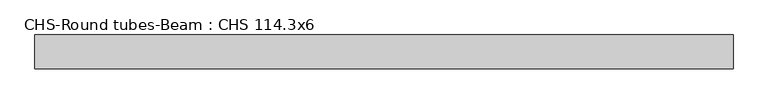
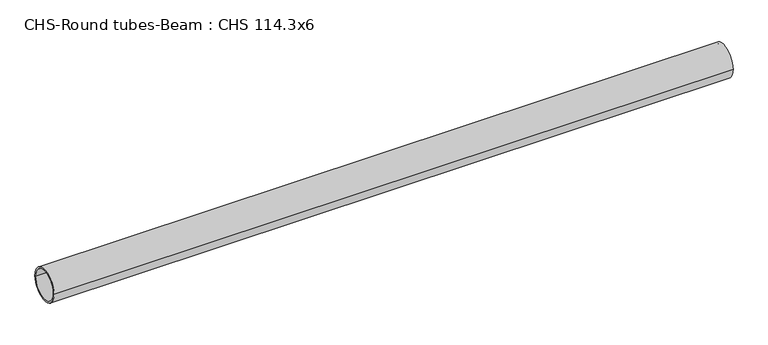
"""IFC4 building model written with IfcOpenShell, lengths in millimetres: beam geometry, CHS-Round tubes-Beam : CHS 114.3x6."""

from ifc_helpers import new_model, si_unit, point, frame, origin, origin_2d, place, context, project, spatial, circle_curve, trimmed, segment, composite_curve, outline, extrude, source, transform, mapped, element, save


def chs_round_tubes_beam_chs_114_3x6_b6ef3843(model_context):
    return source(origin(), model_context, "Body", "SweptSolid", [
        extrude(outline(composite_curve([segment(trimmed(circle_curve(origin_2d(), 57.15), [point((57.15, 0.0))], [point((-57.15, 0.0))], False, "CARTESIAN"), True, "CONTINUOUS"), segment(trimmed(circle_curve(origin_2d(), 57.15), [point((-57.15, 0.0))], [point((57.15, 0.0))], False, "CARTESIAN"), True, "CONTINUOUS")], self_intersect=False), holes=[composite_curve([segment(trimmed(circle_curve(origin_2d(), 51.15), [point((51.15, 0.0))], [point((-51.15, 0.0))], True, "CARTESIAN"), True, "CONTINUOUS"), segment(trimmed(circle_curve(origin_2d(), 51.15), [point((-51.15, 0.0))], [point((51.15, 0.0))], True, "CARTESIAN"), True, "CONTINUOUS")], self_intersect=False)]), frame((-1118.2278398, 0.0, 0.0), z_axis=(1.0, 0.0, 0.0), x_axis=(0.0, 1.0, 0.0)), (0.0, 0.0, 1.0), 2348.9737027),
    ])


if __name__ == "__main__":
    model = new_model("IFC4")
    model_context = context("Model", 3, world=origin())
    ifc_project = project(units=[si_unit("LENGTHUNIT", "METRE", prefix="MILLI")], contexts=[model_context])
    site = spatial("IfcSite", under=ifc_project)
    building = spatial("IfcBuilding", under=site)
    placement = place(None, origin())
    chs_round_tubes_beam_chs_114_3x6_shape = chs_round_tubes_beam_chs_114_3x6_b6ef3843(model_context)
    element("IfcBeam", 1, ObjectType="CHS-Round tubes-Beam : CHS 114.3x6", at=placement, inside=building, context=model_context, shape_type="MappedRepresentation", body=[
        mapped(chs_round_tubes_beam_chs_114_3x6_shape, transform((0.0, 0.0, 0.0), x_axis=(1.0, 0.0, 0.0), y_axis=(0.0, 1.0, 0.0), z_axis=(0.0, 0.0, 1.0))),
    ])
    save(model, "model.ifc")
